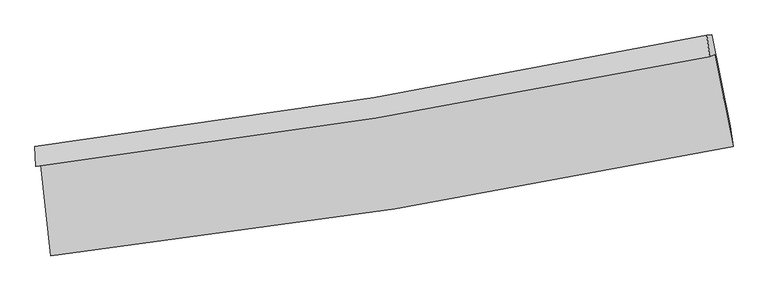
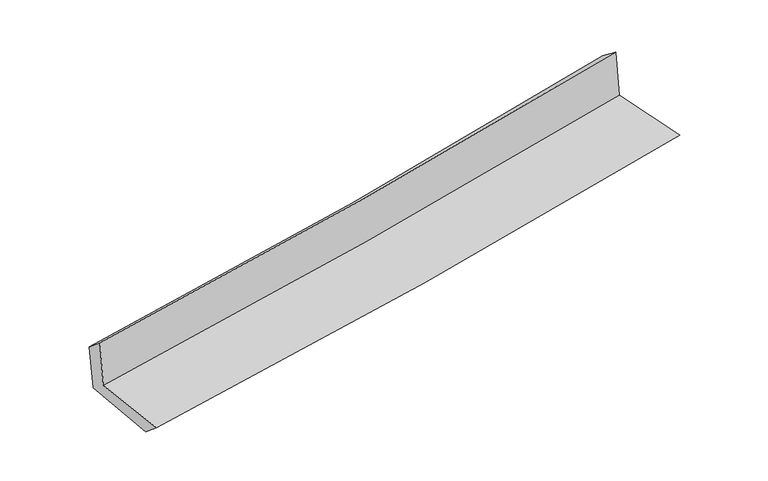
"""IFC4 building model written with IfcOpenShell, lengths in millimetres: proxy geometry."""

from ifc_helpers import new_model, si_unit, frame, origin, place, context, project, spatial, source, transform, mapped, element, save
from ifc_brep_helpers import plane_surface, spline_curve, spline_surface, advanced_brep


def generic_models_69160b35(model_context):
    return source(origin(), model_context, "Body", "AdvancedBrep", [
        advanced_brep(
        [(-2444.119643, -1879.7404168, 1666.9221209), (-2371.2715232, -2533.1215106, 1658.7090943), (2515.8376785, -1749.3081747, 2097.4540119), (2382.8922718, -1090.1057888, 2100.4576212), (-2479.4606128, -1892.1630598, 2070.4996322), (2347.1058959, -1102.6849957, 2509.1214643), (-2484.4392029, -1746.9772904, 1949.105315), (2327.0665799, -948.0139556, 2390.866334), (-2449.7412106, -1745.6733765, 1566.0842433), (2361.75383, -946.605195, 2017.9002929), (-2376.5293549, -2383.8925908, 1535.4797767), (2495.7626898, -1600.1834219, 1991.4835322)],
        [
            (0, 1),
            (1, 2, spline_curve(3, [(-2371.2715232, -2533.1215106, 1658.7090943), (-1547.781145642, -2438.75162127, 1739.337369267), (-726.469554805, -2325.77146683, 1816.401646654), (902.517767438, -2064.081146858, 1962.56967107), (1710.242576894, -1915.790189466, 2031.753699724), (2515.8376785, -1749.3081747, 2097.4540119)], [4, 2, 4], [0.0, 8.15141902058319, 16.210507227464])),
            (2, 3),
            (3, 0, spline_curve(3, [(2382.8922718, -1090.1057888, 2100.4576212), (1587.675997095, -1252.050472433, 2035.785207041), (790.121378285, -1398.539439846, 1967.547241957), (-818.828706584, -1662.107155397, 1823.117575599), (-1630.27805938, -1778.829730487, 1746.843707508), (-2444.119643, -1879.7404168, 1666.9221209)], [4, 2, 4], [0.0, 8.05908820688081, 16.210507227464])),
            (4, 0),
            (3, 5),
            (5, 4, spline_curve(3, [(2347.1058959, -1102.6849957, 2509.1214643), (1552.40403026, -1264.448860351, 2438.574736855), (755.144776522, -1410.834004589, 2366.963839138), (-853.65179183, -1674.347757497, 2220.781085491), (-1665.248041019, -1791.121968068, 2146.184705496), (-2479.4606128, -1892.1630598, 2070.4996322)], [4, 2, 4], [0.0, 8.010922398545697, 16.113623788036403])),
            (6, 4),
            (5, 7),
            (7, 6, spline_curve(3, [(2327.0665799, -948.0139556, 2390.866334), (1535.91517543, -1114.94230233, 2318.784562763), (741.682067601, -1264.705855971, 2246.143144087), (-862.082176304, -1531.422525692, 2098.902368124), (-1671.684329601, -1647.980083473, 2024.290113558), (-2484.4392029, -1746.9772904, 1949.105315)], [4, 2, 4], [0.0, 8.000496419264296, 16.0926523818232])),
            (8, 6),
            (7, 9),
            (9, 8, spline_curve(3, [(2361.75383, -946.605195, 2017.9002929), (1570.595100304, -1113.559349707, 1944.130129701), (776.359193999, -1263.344518967, 1869.811305885), (-827.4015733, -1530.096233905, 1719.218599808), (-1636.997347478, -1646.66712538, 1642.932073728), (-2449.7412106, -1745.6733765, 1566.0842433)], [4, 2, 4], [0.0, 7.99088964762087, 16.0733287763283])),
            (10, 8),
            (9, 11),
            (11, 10, spline_curve(3, [(2495.7626898, -1600.1834219, 1991.4835322), (1693.500470927, -1766.923389507, 1916.811010724), (888.672331739, -1915.335476007, 1841.693426195), (-735.365885698, -2176.994226268, 1689.702430807), (-1554.635094668, -2289.818529672, 1612.818763363), (-2376.5293549, -2383.8925908, 1535.4797767)], [4, 2, 4], [0.0, 8.038769568702042, 16.169637165914367])),
            (1, 10),
            (11, 2),
        ],
        [
            spline_surface(3, 3, [[(-2444.119643, -1879.7404168, 1666.9221209), (-1630.278059513, -1778.829730471, 1746.843707392), (-818.828706713, -1662.107155293, 1823.117575635), (790.121378413, -1398.539439949, 1967.547241922), (1587.675997186, -1252.050472488, 2035.785207144), (2382.8922718, -1090.1057888, 2100.4576212)], [(-2419.836936398, -2097.534114718, 1664.184445368), (-1602.7790882, -1998.803694066, 1744.341594671), (-788.042322728, -1883.328592451, 1820.878932614), (827.58684137, -1620.386675625, 1965.888051669), (1628.531523792, -1473.297044841, 2034.441371339), (2427.207407364, -1309.839917442, 2099.456418111)], [(-2395.554229802, -2315.327812682, 1661.446769832), (-1575.280116893, -2218.777657707, 1741.839481946), (-757.255938689, -2104.550029582, 1818.640289587), (865.052304381, -1842.233911272, 1964.22886141), (1669.387050408, -1694.543617167, 2033.097535499), (2471.522542936, -1529.574046058, 2098.455214989)], [(-2371.2715232, -2533.1215106, 1658.7090943), (-1547.781145579, -2438.751621301, 1739.337369225), (-726.469554705, -2325.77146674, 1816.401646566), (902.517767339, -2064.081146948, 1962.569671157), (1710.242577015, -1915.79018952, 2031.753699694), (2515.8376785, -1749.3081747, 2097.4540119)]], [4, 4], [4, 2, 4], [0.0, 2.206166008759456], [0.0, 8.15141902058319, 16.210507227464]),
            spline_surface(3, 3, [[(-2479.4606128, -1892.1630598, 2070.4996322), (-1665.248041139, -1791.121968062, 2146.184705525), (-853.651791957, -1674.347757552, 2220.781085376), (755.144776647, -1410.834004535, 2366.963839252), (1552.404030365, -1264.448860345, 2438.574736748), (2347.1058959, -1102.6849957, 2509.1214643)], [(-2467.680289531, -1888.022178802, 1935.973795117), (-1653.591380596, -1787.024555533, 2013.071039497), (-842.044096866, -1670.267556785, 2088.22658215), (766.803643912, -1406.735816325, 2233.824973497), (1564.161352653, -1260.316064381, 2304.311560205), (2359.034687882, -1098.491926722, 2372.900183258)], [(-2455.899966269, -1883.881297798, 1801.447957983), (-1641.934720057, -1782.927143, 1879.95737342), (-830.436401804, -1666.18735606, 1955.672078861), (778.462511148, -1402.637628158, 2100.686107678), (1575.918674897, -1256.183268452, 2170.048383688), (2370.963479818, -1094.298857778, 2236.678902242)], [(-2444.119643, -1879.7404168, 1666.9221209), (-1630.278059513, -1778.829730471, 1746.843707392), (-818.828706713, -1662.107155293, 1823.117575635), (790.121378413, -1398.539439949, 1967.547241922), (1587.675997186, -1252.050472488, 2035.785207144), (2382.8922718, -1090.1057888, 2100.4576212)]], [4, 4], [4, 2, 4], [0.0, 1.3131347529779538], [0.0, 8.102701389490706, 16.113623788036403]),
            spline_surface(3, 3, [[(-2484.4392029, -1746.9772904, 1949.105315), (-1671.684329527, -1647.9800835, 2024.290113538), (-862.082176322, -1531.422525568, 2098.902368066), (741.682067618, -1264.705856094, 2246.143144145), (1535.915175355, -1114.942302445, 2318.784562637), (2327.0665799, -948.0139556, 2390.866334)], [(-2482.779672883, -1795.372546854, 1989.570087402), (-1669.53890008, -1695.694045008, 2064.921644202), (-859.272048205, -1579.064269556, 2139.528607159), (746.16963729, -1313.415238901, 2286.41670917), (1541.411460346, -1164.777821742, 2358.714620695), (2333.746351888, -999.570968963, 2430.284710788)], [(-2481.120142817, -1843.767803346, 2030.034859798), (-1667.393470586, -1743.408006554, 2105.553174861), (-856.461920074, -1626.706013564, 2180.154846283), (750.657206976, -1362.124621728, 2326.690274227), (1546.907745374, -1214.613341048, 2398.644678689), (2340.426123912, -1051.127982337, 2469.703087512)], [(-2479.4606128, -1892.1630598, 2070.4996322), (-1665.248041139, -1791.121968062, 2146.184705525), (-853.651791957, -1674.347757552, 2220.781085376), (755.144776647, -1410.834004535, 2366.963839252), (1552.404030365, -1264.448860345, 2438.574736748), (2347.1058959, -1102.6849957, 2509.1214643)]], [4, 4], [4, 2, 4], [0.0, 0.6201494319764493], [0.0, 8.092155962558904, 16.0926523818232]),
            spline_surface(3, 3, [[(-2449.7412106, -1745.6733765, 1566.0842433), (-1636.997347401, -1646.667125281, 1642.932073827), (-827.401573426, -1530.096233934, 1719.218599784), (776.359194123, -1263.344518938, 1869.811305909), (1570.595100305, -1113.559349818, 1944.130129832), (2361.75383, -946.605195, 2017.9002929)], [(-2461.307208017, -1746.108014469, 1693.757933853), (-1648.55967476, -1647.104778023, 1770.051420384), (-838.961774407, -1530.538331156, 1845.779855862), (764.800151939, -1263.798298001, 1995.255251972), (1559.035125312, -1114.020334035, 2069.01494075), (2350.19141329, -947.074781875, 2142.222306583)], [(-2472.873205483, -1746.542652431, 1821.431624447), (-1660.122002167, -1647.542430758, 1897.170766981), (-850.521975341, -1530.980428346, 1972.341111987), (753.241109802, -1264.252077031, 2120.699198082), (1547.475150348, -1114.481318228, 2193.899751718), (2338.62899661, -947.544368725, 2266.544320317)], [(-2484.4392029, -1746.9772904, 1949.105315), (-1671.684329527, -1647.9800835, 2024.290113538), (-862.082176322, -1531.422525568, 2098.902368066), (741.682067618, -1264.705856094, 2246.143144145), (1535.915175355, -1114.942302445, 2318.784562637), (2327.0665799, -948.0139556, 2390.866334)]], [4, 4], [4, 2, 4], [0.0, 1.2454612854133873], [0.0, 8.08243912870743, 16.0733287763283]),
            spline_surface(3, 3, [[(-2376.5293549, -2383.8925908, 1535.4797767), (-1554.635094535, -2289.818529647, 1612.818763307), (-735.365885633, -2176.994226404, 1689.702430749), (888.672331674, -1915.335475874, 1841.693426253), (1693.500471011, -1766.923389474, 1916.811010606), (2495.7626898, -1600.1834219, 1991.4835322)], [(-2400.933306817, -2171.152852718, 1545.681265584), (-1582.089178841, -2075.43472821, 1622.856533498), (-766.044448201, -1961.361562234, 1699.541153786), (851.234619187, -1698.005156882, 1851.066052831), (1652.532014117, -1549.135376253, 1925.917383672), (2451.093069874, -1382.324012931, 2000.289119091)], [(-2425.337258683, -1958.413114582, 1555.882754416), (-1609.543263095, -1861.050926719, 1632.894303637), (-796.723010859, -1745.728898104, 1709.379876746), (813.79690661, -1480.67483793, 1860.438679331), (1611.5635572, -1331.347363039, 1935.023756765), (2406.423449926, -1164.464603969, 2009.094706009)], [(-2449.7412106, -1745.6733765, 1566.0842433), (-1636.997347401, -1646.667125281, 1642.932073827), (-827.401573426, -1530.096233934, 1719.218599784), (776.359194123, -1263.344518938, 1869.811305909), (1570.595100305, -1113.559349818, 1944.130129832), (2361.75383, -946.605195, 2017.9002929)]], [4, 4], [4, 2, 4], [0.0, 2.158850519373369], [0.0, 8.130867597212324, 16.169637165914367]),
            spline_surface(3, 3, [[(-2371.2715232, -2533.1215106, 1658.7090943), (-1547.781145579, -2438.751621301, 1739.337369225), (-726.469554705, -2325.77146674, 1816.401646566), (902.517767339, -2064.081146948, 1962.569671157), (1710.242577015, -1915.79018952, 2031.753699694), (2515.8376785, -1749.3081747, 2097.4540119)], [(-2373.024133753, -2483.37853734, 1617.632655077), (-1550.065795218, -2389.107257423, 1697.164500562), (-729.434998348, -2276.179053309, 1774.168574603), (897.902622117, -2014.499256604, 1922.277589499), (1704.661875016, -1866.167922839, 1993.43947), (2509.146015602, -1699.599923767, 2062.130518669)], [(-2374.776744347, -2433.63556406, 1576.556215923), (-1552.350444896, -2339.462893525, 1654.99163197), (-732.40044199, -2226.586639835, 1731.935502711), (893.287476896, -1964.917366217, 1881.985507911), (1699.08117301, -1816.545656156, 1955.1252403), (2502.454352698, -1649.891672833, 2026.807025431)], [(-2376.5293549, -2383.8925908, 1535.4797767), (-1554.635094535, -2289.818529647, 1612.818763307), (-735.365885633, -2176.994226404, 1689.702430749), (888.672331674, -1915.335475874, 1841.693426253), (1693.500471011, -1766.923389474, 1916.811010606), (2495.7626898, -1600.1834219, 1991.4835322)]], [4, 4], [4, 2, 4], [0.0, 0.6360957692998719], [0.0, 8.189316244383866, 16.28587241465048]),
            plane_surface(frame((2405.0698243, -1239.4835886, 2184.5472094), z_axis=(0.9762288815922465, 0.19646502030752172, 0.09153505634846572), x_axis=(-0.0926034842567311, -0.003760924888881602, 0.9956959627052294))),
            plane_surface(frame((-2434.2602579, -2030.2613742, 1741.1333637), z_axis=(-0.9899281976426879, -0.10923919817606087, -0.09004977009271693), x_axis=(-0.11079883527896514, 0.993764346607005, 0.012491657759376601))),
        ],
        [
            (0, [[1, 2, 3, 4]]),
            (1, [[5, -4, 6, 7]]),
            (2, [[8, -7, 9, 10]]),
            (3, [[11, -10, 12, 13]]),
            (4, [[14, -13, 15, 16]]),
            (5, [[17, -16, 18, -2]]),
            (6, [[-12, -9, -6, -3, -18, -15]]),
            (7, [[-1, -5, -8, -11, -14, -17]]),
        ],
    ),
    ])


if __name__ == "__main__":
    model = new_model("IFC4")
    model_context = context("Model", 3, world=origin())
    ifc_project = project(units=[si_unit("LENGTHUNIT", "METRE", prefix="MILLI")], contexts=[model_context])
    site = spatial("IfcSite", under=ifc_project)
    building = spatial("IfcBuilding", under=site)
    placement = place(None, origin())
    generic_models_shape = generic_models_69160b35(model_context)
    element("IfcBuildingElementProxy", 1, Name="Generic Models", at=placement, inside=building, context=model_context, shape_type="MappedRepresentation", body=[
        mapped(generic_models_shape, transform((0.0, 0.0, 0.0), x_axis=(1.0, 0.0, 0.0), y_axis=(0.0, 1.0, 0.0), z_axis=(0.0, 0.0, 1.0))),
    ])
    save(model, "model.ifc")
